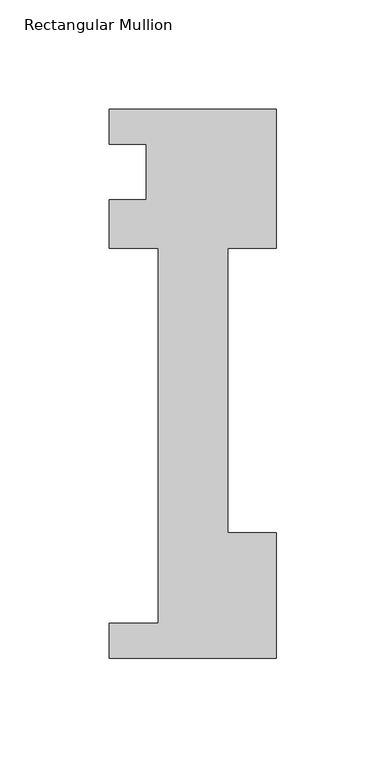
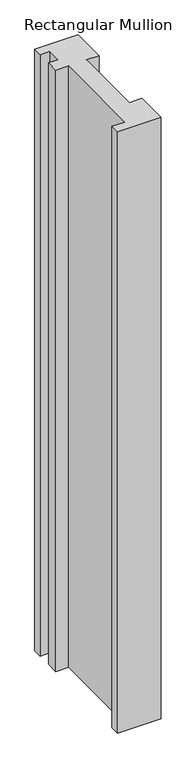
"""IFC4 building model written with IfcOpenShell, lengths in millimetres: member geometry, Rectangular Mullion."""

import ifcopenshell
import ifcopenshell.guid

model = None  # the IFC model being written
_history = None  # IfcOwnerHistory: only IFC2X3 demands one
_inside = {}  # id of a spatial element -> (the spatial element, [elements in it])
_under = {}  # id of a project, library or spatial element -> (it, [spatial elements below it])
_declared = {}  # id of a project -> (the project, [libraries it declares])
_typed = {}  # id of a type object -> (the type object, [elements of that type])
_made_of = {}  # id of a material, layer set ... -> (it, [elements and type objects made of it])


def new_model(schema):
    """Start an empty IFC model of exactly this schema.

    Asked for "IFC4X3", IfcOpenShell would pick the latest addendum, in which some entities
    have other attributes; the version numbers below select the first issue.
    IFC2X3 requires an IfcOwnerHistory on every rooted entity: one is made here for all.
    """
    global model, _history
    if schema == "IFC4X3":
        model = ifcopenshell.file(schema_version=(4, 3, 0, 0))
    else:
        model = ifcopenshell.file(schema=schema)
    _inside.clear()
    _under.clear()
    _declared.clear()
    _typed.clear()
    _made_of.clear()
    _history = None
    if model.schema == "IFC2X3":
        org = make("IfcOrganization", Name="unknown")
        user = make(
            "IfcPersonAndOrganization",
            ThePerson=make("IfcPerson", FamilyName="unknown"),
            TheOrganization=org,
        )
        app = make(
            "IfcApplication",
            ApplicationDeveloper=org,
            Version="unknown",
            ApplicationFullName="unknown",
            ApplicationIdentifier="unknown",
        )
        _history = make(
            "IfcOwnerHistory",
            OwningUser=user,
            OwningApplication=app,
            ChangeAction="ADDED",
            CreationDate=0,
        )
    return model


def make(cls, **values):
    """One entity of the class cls with the attributes given. An attribute that is None is left unset."""
    return model.create_entity(
        cls, **{name: value for name, value in values.items() if value is not None}
    )


def rooted(cls, **values):
    """An entity with a GlobalId (a new one), such as an element, a storey or a relation."""
    return make(cls, GlobalId=ifcopenshell.guid.new(), OwnerHistory=_history, **values)


def si_unit(unit_type, name, prefix=None):
    """IfcSIUnit, for example si_unit("LENGTHUNIT", "METRE", prefix="MILLI")."""
    return make("IfcSIUnit", UnitType=unit_type, Prefix=prefix, Name=name)


def assignment(units):
    """IfcUnitAssignment: the units of a project."""
    return None if units is None else make("IfcUnitAssignment", Units=units)


def point(xyz):
    """IfcCartesianPoint."""
    return None if xyz is None else make("IfcCartesianPoint", Coordinates=xyz)


def direction(xyz):
    """IfcDirection."""
    return None if xyz is None else make("IfcDirection", DirectionRatios=xyz)


def frame(location, z_axis=None, x_axis=None):
    """IfcAxis2Placement3D, a coordinate frame: its origin and axes. An axis left out is left unset."""
    return make(
        "IfcAxis2Placement3D",
        Location=point(location),
        Axis=direction(z_axis),
        RefDirection=direction(x_axis),
    )


def origin():
    """The frame at (0, 0, 0) with its axes left unset."""
    return frame((0.0, 0.0, 0.0))


def place(relative_to, where):
    """IfcLocalPlacement: puts the frame where relative to a parent placement (None: the world)."""
    return make(
        "IfcLocalPlacement", PlacementRelTo=relative_to, RelativePlacement=where
    )


def context(
    kind, dimensions, precision=None, world=None, true_north=None, identifier=None
):
    """IfcGeometricRepresentationContext, for example the 3D "Model" context."""
    return make(
        "IfcGeometricRepresentationContext",
        ContextIdentifier=identifier,
        ContextType=kind,
        CoordinateSpaceDimension=dimensions,
        Precision=precision,
        WorldCoordinateSystem=world,
        TrueNorth=true_north,
    )


def project(units=None, contexts=None):
    """IfcProject with its units and contexts."""
    return rooted(
        "IfcProject",
        Name="project",
        RepresentationContexts=contexts,
        UnitsInContext=assignment(units),
    )


def spatial(cls, under=None, at=None, **own):
    """A site, building, storey or space (cls), placed at a placement, below another one or the project."""
    s = rooted(cls, ObjectPlacement=at, **own)
    if under is not None:
        _under.setdefault(under.id(), (under, []))[1].append(s)
    return s


def polyline(points):
    """IfcPolyline through the points."""
    return make("IfcPolyline", Points=[point(p) for p in points])


def outline(outer, holes=None, kind="AREA"):
    """IfcArbitraryClosedProfileDef: a profile drawn as a closed curve; with holes, ...WithVoids."""
    if holes is None:
        return make("IfcArbitraryClosedProfileDef", ProfileType=kind, OuterCurve=outer)
    return make(
        "IfcArbitraryProfileDefWithVoids",
        ProfileType=kind,
        OuterCurve=outer,
        InnerCurves=holes,
    )


def extrude(swept, where, along, depth):
    """IfcExtrudedAreaSolid: the profile swept, set in the frame where, extruded along a direction by depth."""
    return make(
        "IfcExtrudedAreaSolid",
        SweptArea=swept,
        Position=where,
        ExtrudedDirection=direction(along),
        Depth=depth,
    )


def shape(context_of_items, identifier, shape_type, items):
    """IfcShapeRepresentation: the items that make up one representation, for example the "Body"."""
    return make(
        "IfcShapeRepresentation",
        ContextOfItems=context_of_items,
        RepresentationIdentifier=identifier,
        RepresentationType=shape_type,
        Items=items,
    )


def source(mapping_origin, context_of_items, identifier, shape_type, items):
    """IfcRepresentationMap: a shape defined once, which mapped items show again and again."""
    return make(
        "IfcRepresentationMap",
        MappingOrigin=mapping_origin,
        MappedRepresentation=shape(context_of_items, identifier, shape_type, items),
    )


def transform(
    local_origin,
    x_axis=None,
    y_axis=None,
    z_axis=None,
    scale=None,
    scale2=None,
    scale3=None,
    uniform=True,
):
    """IfcCartesianTransformationOperator3D, or its non-uniform kind. x_axis, y_axis, z_axis: its Axis1, 2, 3."""
    if uniform:
        return make(
            "IfcCartesianTransformationOperator3D",
            Axis1=direction(x_axis),
            Axis2=direction(y_axis),
            LocalOrigin=point(local_origin),
            Scale=scale,
            Axis3=direction(z_axis),
        )
    return make(
        "IfcCartesianTransformationOperator3DnonUniform",
        Axis1=direction(x_axis),
        Axis2=direction(y_axis),
        LocalOrigin=point(local_origin),
        Scale=scale,
        Axis3=direction(z_axis),
        Scale2=scale2,
        Scale3=scale3,
    )


def mapped(mapping_source, mapping_target):
    """IfcMappedItem: shows the shape of a source again, moved by a transform."""
    return make(
        "IfcMappedItem", MappingSource=mapping_source, MappingTarget=mapping_target
    )


def made_of(thing, what):
    """Note that an element or type object is made of a material, layer set ...; save() writes the relation."""
    if what is not None:
        _made_of.setdefault(what.id(), (what, []))[1].append(thing)
    return thing


def element(
    cls,
    number,
    at=None,
    inside=None,
    cuts=None,
    type_object=None,
    material=None,
    context=None,
    identifier="Body",
    shape_type=None,
    held_by="IfcProductDefinitionShape",
    body=None,
    shapes=None,
    **own,
):
    """One element of the class cls, such as IfcWall. Its Tag is "e" and its number.

    at: its placement. inside: the storey or other place that contains it. cuts: it is an
    opening in that element (IfcRelVoidsElement). A single representation is given by context,
    identifier, shape_type and body (its items); several are given by shapes. held_by: the class
    of the entity that holds the representations. save() writes the other relations.
    """
    e = rooted(cls, Tag="e%d" % number, ObjectPlacement=at, **own)
    if body is not None:
        shapes = [shape(context, identifier, shape_type, body)]
    if shapes is not None:
        e.Representation = make(held_by, Representations=shapes)
    if inside is not None:
        _inside.setdefault(inside.id(), (inside, []))[1].append(e)
    if cuts is not None:
        rooted(
            "IfcRelVoidsElement", RelatingBuildingElement=cuts, RelatedOpeningElement=e
        )
    if type_object is not None:
        _typed.setdefault(type_object.id(), (type_object, []))[1].append(e)
    return made_of(e, material)


def aggregate(whole, parts):
    """IfcRelAggregates: a whole, such as a stair, and the parts it consists of."""
    return rooted("IfcRelAggregates", RelatingObject=whole, RelatedObjects=parts)


def save(model, path):
    """Write the relations noted so far, then the file.

    IfcRelAggregates (storeys below a building ...), IfcRelContainedInSpatialStructure (elements
    in a storey), IfcRelDefinesByType, IfcRelAssociatesMaterial and IfcRelDeclares: one each for
    every whole, place, type object, material and project.
    """
    for whole, parts in _under.values():
        aggregate(whole, parts)
    for where, things in _inside.values():
        rooted(
            "IfcRelContainedInSpatialStructure",
            RelatedElements=things,
            RelatingStructure=where,
        )
    for kind, things in _typed.values():
        rooted("IfcRelDefinesByType", RelatedObjects=things, RelatingType=kind)
    for what, things in _made_of.values():
        rooted("IfcRelAssociatesMaterial", RelatedObjects=things, RelatingMaterial=what)
    for by, libraries in _declared.values():
        rooted("IfcRelDeclares", RelatingContext=by, RelatedDefinitions=libraries)
    model.write(path)


def rectangular_mullion_0ec2b5d1(model_context):
    return source(origin(), model_context, "Body", "SweptSolid", [
        extrude(outline(polyline([(-76.2, -221.996), (-76.2, -206.121), (-53.975, -206.121), (-53.975, -34.671), (-76.2, -34.671), (-76.2, -12.446), (-59.2778052, -12.446), (-59.2778052, 12.954), (-76.2, 12.954), (-76.2, 28.8082618), (0.0, 28.8082618), (0.0, -34.671), (-22.225, -34.671), (-22.225, -164.75372), (0.0, -164.75372), (0.0, -221.996), (-76.2, -221.996)])), frame((0.0, 0.0, -1111.7242824), z_axis=(0.0, 0.0, 1.0), x_axis=(1.0, 0.0, 0.0)), (0.0, 0.0, 1.0), 1111.7242824),
    ])


if __name__ == "__main__":
    model = new_model("IFC4")
    model_context = context("Model", 3, world=origin())
    ifc_project = project(units=[si_unit("LENGTHUNIT", "METRE", prefix="MILLI")], contexts=[model_context])
    site = spatial("IfcSite", under=ifc_project)
    building = spatial("IfcBuilding", under=site)
    placement = place(None, origin())
    rectangular_mullion_shape = rectangular_mullion_0ec2b5d1(model_context)
    element("IfcMember", 1, ObjectType="Rectangular Mullion", at=placement, inside=building, context=model_context, shape_type="MappedRepresentation", body=[
        mapped(rectangular_mullion_shape, transform((0.0, 0.0, 0.0), x_axis=(1.0, 0.0, 0.0), y_axis=(0.0, 1.0, 0.0), z_axis=(0.0, 0.0, 1.0))),
    ])
    save(model, "model.ifc")
